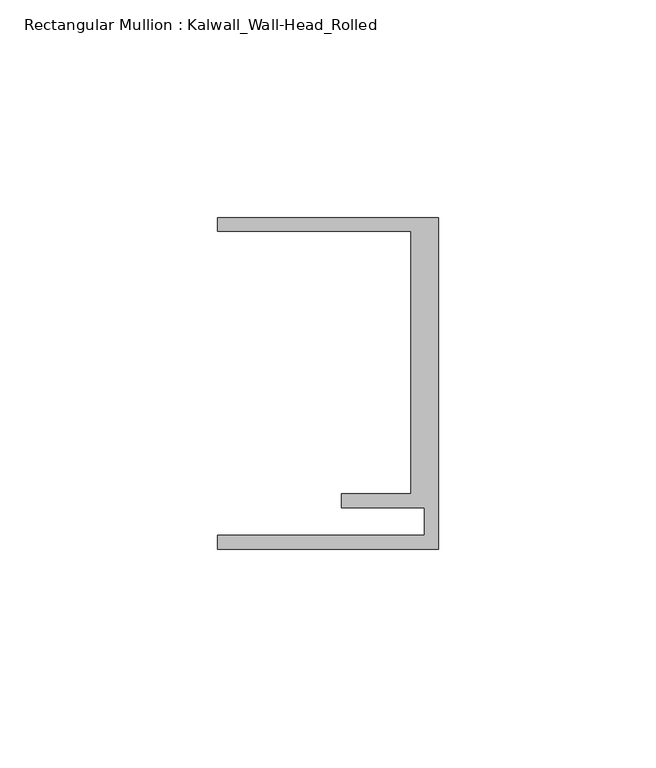
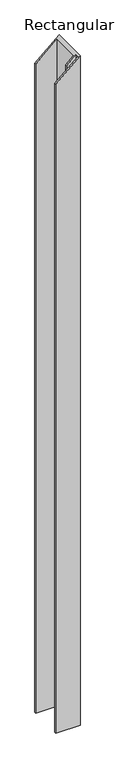
"""IFC4 building model written with IfcOpenShell, lengths in millimetres: member geometry, Rectangular Mullion : Kalwall_Wall-Head_Rolled."""

from ifc_helpers import new_model, si_unit, origin, place, context, project, spatial, faceted_brep, source, transform, mapped, element, save


def rectangular_mullion_kalwall_wall_head_rolled_a9036c33(model_context):
    return source(origin(), model_context, "Body", "Brep", [
        faceted_brep([(-50.8, 38.0270489, -45.3108626), (0.0, 38.0270489, 0.0), (0.0, 38.0270489, -1487.4430669), (-50.8, 38.0270489, -1487.4430669), (-50.8, 34.8520489, -45.3108626), (-50.8, 34.8520489, -1487.4430669), (-6.35, 34.8520489, -5.6638578), (-6.35, 34.8520489, -1487.4430669), (-6.35, -25.4729511, -5.6638578), (-6.35, -25.4729511, -1487.4430669), (-22.225, -25.4729511, -19.8235024), (-22.225, -25.4729511, -1487.4430669), (-22.225, -28.6479511, -19.8235024), (-22.225, -28.6479511, -1487.4430669), (-3.175, -28.6479511, -2.8319289), (-3.175, -28.6479511, -1487.4430669), (-3.175, -34.9979511, -2.8319289), (-3.175, -34.9979511, -1487.4430669), (-50.8, -34.9979511, -45.3108626), (-50.8, -34.9979511, -1487.4430669), (-50.8, -38.1729511, -45.3108626), (-50.8, -38.1729511, -1487.4430669), (0.0, -38.1729511, 0.0), (0.0, -38.1729511, -1487.4430669)], [[[0, 1, 2, 3]], [[4, 0, 3, 5]], [[6, 4, 5, 7]], [[8, 6, 7, 9]], [[10, 8, 9, 11]], [[12, 10, 11, 13]], [[14, 12, 13, 15]], [[16, 14, 15, 17]], [[18, 16, 17, 19]], [[20, 18, 19, 21]], [[22, 20, 21, 23]], [[1, 22, 23, 2]], [[1, 0, 4, 6, 8, 10, 12, 14, 16, 18, 20, 22]], [[2, 23, 21, 19, 17, 15, 13, 11, 9, 7, 5, 3]]]),
    ])


if __name__ == "__main__":
    model = new_model("IFC4")
    model_context = context("Model", 3, world=origin())
    ifc_project = project(units=[si_unit("LENGTHUNIT", "METRE", prefix="MILLI")], contexts=[model_context])
    site = spatial("IfcSite", under=ifc_project)
    building = spatial("IfcBuilding", under=site)
    placement = place(None, origin())
    rectangular_mullion_kalwall_wall_head_rolled_shape = rectangular_mullion_kalwall_wall_head_rolled_a9036c33(model_context)
    element("IfcMember", 1, ObjectType="Rectangular Mullion : Kalwall_Wall-Head_Rolled", at=placement, inside=building, context=model_context, shape_type="MappedRepresentation", body=[
        mapped(rectangular_mullion_kalwall_wall_head_rolled_shape, transform((0.0, 0.0, 0.0), x_axis=(1.0, 0.0, 0.0), y_axis=(0.0, 1.0, 0.0), z_axis=(0.0, 0.0, 1.0))),
    ])
    save(model, "model.ifc")
